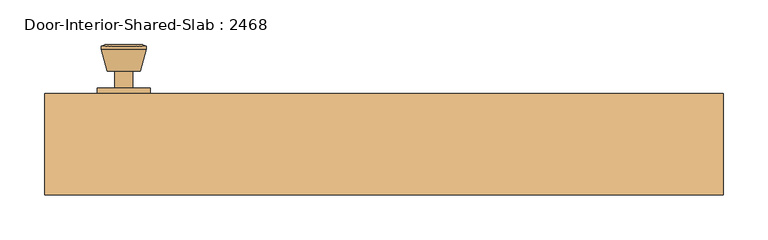
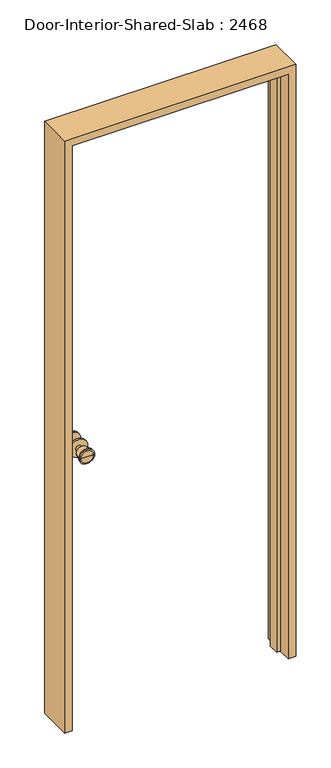
"""IFC4 building model written with IfcOpenShell, lengths in millimetres: door geometry, Door-Interior-Shared-Slab : 2468."""

from ifc_helpers import new_model, si_unit, point, frame, frame_2d, origin, place, context, project, spatial, polyline, circle_curve, trimmed, segment, composite_curve, outline, extrude, faceted_brep, source, transform, mapped, element, save
from ifc_brep_helpers import plane_surface, cylinder_surface, revolved_surface, advanced_brep


def door_interior_shared_slab_2468_7513d355(model_context):
    return source(origin(), model_context, "Body", "SolidModel", [
        advanced_brep(
        [(-292.1, 13.05, 914.4), (-282.1, 13.05, 914.4), (-302.1, 13.05, 914.4), (-271.6241324, -35.95, 914.4), (-292.1, -35.95, 914.4), (-312.5758676, -35.95, 914.4), (-267.1, -34.1221319, 914.4), (-317.1, -34.1221319, 914.4), (-267.1, -30.6584537, 914.4), (-317.1, -30.6584537, 914.4), (-273.463764, -5.95, 914.4), (-310.736236, -5.95, 914.4), (-282.1, -5.95, 914.4), (-302.1, -5.95, 914.4)],
        [
            (0, 1),
            (1, 2, circle_curve(frame((-292.1, 13.05, 914.4), z_axis=(0.0, 1.0, 0.0), x_axis=(-1.0, 0.0, 0.0)), 10.0)),
            (2, 0),
            (2, 1, circle_curve(frame((-292.1, 13.05, 914.4), z_axis=(0.0, 1.0, 0.0), x_axis=(-1.0, 0.0, 0.0)), 10.0)),
            (3, 4),
            (4, 5),
            (5, 3, circle_curve(frame((-292.1, -35.95, 914.4), z_axis=(0.0, -1.0, 0.0), x_axis=(-1.0, 0.0, 0.0)), 20.4758676)),
            (3, 5, circle_curve(frame((-292.1, -35.95, 914.4), z_axis=(0.0, -1.0, 0.0), x_axis=(-1.0, 0.0, 0.0)), 20.4758676)),
            (6, 3),
            (5, 7),
            (7, 6, circle_curve(frame((-292.1, -34.1221319, 914.4), z_axis=(0.0, -1.0, 0.0), x_axis=(-1.0, 0.0, 0.0)), 25.0)),
            (6, 7, circle_curve(frame((-292.1, -34.1221319, 914.4), z_axis=(0.0, -1.0, 0.0), x_axis=(-1.0, 0.0, 0.0)), 25.0)),
            (8, 6),
            (7, 9),
            (9, 8, circle_curve(frame((-292.1, -30.6584537, 914.4), z_axis=(0.0, -1.0, 0.0), x_axis=(-1.0, 0.0, 0.0)), 25.0)),
            (8, 9, circle_curve(frame((-292.1, -30.6584537, 914.4), z_axis=(0.0, -1.0, 0.0), x_axis=(-1.0, 0.0, 0.0)), 25.0)),
            (10, 8),
            (9, 11),
            (11, 10, circle_curve(frame((-292.1, -5.95, 914.4), z_axis=(0.0, -1.0, 0.0), x_axis=(-1.0, 0.0, 0.0)), 18.636236)),
            (10, 11, circle_curve(frame((-292.1, -5.95, 914.4), z_axis=(0.0, -1.0, 0.0), x_axis=(-1.0, 0.0, 0.0)), 18.636236)),
            (12, 10),
            (11, 13),
            (13, 12, circle_curve(frame((-292.1, -5.95, 914.4), z_axis=(0.0, -1.0, 0.0), x_axis=(-1.0, 0.0, 0.0)), 10.0)),
            (12, 13, circle_curve(frame((-292.1, -5.95, 914.4), z_axis=(0.0, -1.0, 0.0), x_axis=(-1.0, 0.0, 0.0)), 10.0)),
            (1, 12),
            (13, 2),
        ],
        [
            plane_surface(frame((-292.1, 13.05, 914.4), z_axis=(0.0, 1.0, 0.0), x_axis=(-1.0, 0.0, 0.0))),
            plane_surface(frame((-292.1, -35.95, 914.4), z_axis=(0.0, -1.0, 0.0), x_axis=(-1.0, 0.0, 0.0))),
            revolved_surface(polyline([(-312.5758676, -35.95, 914.4), (-317.1, -34.1221319, 914.4)]), (-292.1, 13.05, 914.4), (0.0, 1.0, 0.0)),
            cylinder_surface(frame((-292.1, 13.05, 914.4), z_axis=(0.0, 1.0, 0.0), x_axis=(-1.0, 0.0, 0.0)), 25.0),
            revolved_surface(polyline([(-317.1, -30.6584537, 914.4), (-310.736236, -5.95, 914.4)]), (-292.1, 13.05, 914.4), (0.0, 1.0, 0.0)),
            plane_surface(frame((-292.1, -5.95, 914.4), z_axis=(0.0, 1.0, 0.0), x_axis=(-1.0, 0.0, 0.0))),
            cylinder_surface(frame((-292.1, 13.05, 914.4), z_axis=(0.0, 1.0, 0.0), x_axis=(-1.0, 0.0, 0.0)), 10.0),
        ],
        [
            (0, [[1, 2, 3]]),
            (0, [[-3, 4, -1]]),
            (1, [[5, 6, 7]]),
            (1, [[-6, -5, 8]]),
            (2, [[9, -7, 10, 11]]),
            (2, [[-10, -8, -9, 12]]),
            (3, [[13, -11, 14, 15]]),
            (3, [[-14, -12, -13, 16]]),
            (4, [[17, -15, 18, 19]]),
            (4, [[-18, -16, -17, 20]]),
            (5, [[21, -19, 22, 23]]),
            (5, [[-22, -20, -21, 24]]),
            (6, [[25, -23, 26, -2]]),
            (6, [[-26, -24, -25, -4]]),
        ],
    ),
        extrude(outline(composite_curve([segment(trimmed(circle_curve(frame_2d((914.4, -292.1)), 30.0), [point((914.4, -322.1))], [point((914.4, -262.1))], False, "CARTESIAN"), True, "CONTINUOUS"), segment(trimmed(circle_curve(frame_2d((914.4, -292.1)), 30.0), [point((914.4, -262.1))], [point((914.4, -322.1))], False, "CARTESIAN"), True, "CONTINUOUS")], self_intersect=False)), frame((0.0, 13.05, 0.0), z_axis=(0.0, 1.0, 0.0), x_axis=(0.0, 0.0, 1.0)), (0.0, 0.0, 1.0), 6.0),
        advanced_brep(
        [(-292.1, 59.975, 914.4), (-302.1, 59.975, 914.4), (-282.1, 59.975, 914.4), (-271.6241324, 108.975, 914.4), (-312.5758676, 108.975, 914.4), (-292.1, 108.975, 914.4), (-267.1, 107.1471319, 914.4), (-317.1, 107.1471319, 914.4), (-267.1, 103.6834537, 914.4), (-317.1, 103.6834537, 914.4), (-273.463764, 78.975, 914.4), (-310.736236, 78.975, 914.4), (-282.1, 78.975, 914.4), (-302.1, 78.975, 914.4)],
        [
            (0, 1),
            (1, 2, circle_curve(frame((-292.1, 59.975, 914.4), z_axis=(0.0, -1.0, 0.0), x_axis=(-1.0, 0.0, 0.0)), 10.0)),
            (2, 0),
            (2, 1, circle_curve(frame((-292.1, 59.975, 914.4), z_axis=(0.0, -1.0, 0.0), x_axis=(-1.0, 0.0, 0.0)), 10.0)),
            (3, 4, circle_curve(frame((-292.1, 108.975, 914.4), z_axis=(0.0, 1.0, 0.0), x_axis=(-1.0, 0.0, 0.0)), 20.4758676)),
            (4, 5),
            (5, 3),
            (4, 3, circle_curve(frame((-292.1, 108.975, 914.4), z_axis=(0.0, 1.0, 0.0), x_axis=(-1.0, 0.0, 0.0)), 20.4758676)),
            (6, 7, circle_curve(frame((-292.1, 107.1471319, 914.4), z_axis=(0.0, 1.0, 0.0), x_axis=(-1.0, 0.0, 0.0)), 25.0)),
            (7, 4),
            (3, 6),
            (7, 6, circle_curve(frame((-292.1, 107.1471319, 914.4), z_axis=(0.0, 1.0, 0.0), x_axis=(-1.0, 0.0, 0.0)), 25.0)),
            (8, 9, circle_curve(frame((-292.1, 103.6834537, 914.4), z_axis=(0.0, 1.0, 0.0), x_axis=(-1.0, 0.0, 0.0)), 25.0)),
            (9, 7),
            (6, 8),
            (9, 8, circle_curve(frame((-292.1, 103.6834537, 914.4), z_axis=(0.0, 1.0, 0.0), x_axis=(-1.0, 0.0, 0.0)), 25.0)),
            (10, 11, circle_curve(frame((-292.1, 78.975, 914.4), z_axis=(0.0, 1.0, 0.0), x_axis=(-1.0, 0.0, 0.0)), 18.636236)),
            (11, 9),
            (8, 10),
            (11, 10, circle_curve(frame((-292.1, 78.975, 914.4), z_axis=(0.0, 1.0, 0.0), x_axis=(-1.0, 0.0, 0.0)), 18.636236)),
            (12, 13, circle_curve(frame((-292.1, 78.975, 914.4), z_axis=(0.0, 1.0, 0.0), x_axis=(-1.0, 0.0, 0.0)), 10.0)),
            (13, 11),
            (10, 12),
            (13, 12, circle_curve(frame((-292.1, 78.975, 914.4), z_axis=(0.0, 1.0, 0.0), x_axis=(-1.0, 0.0, 0.0)), 10.0)),
            (1, 13),
            (12, 2),
        ],
        [
            plane_surface(frame((-292.1, 59.975, 914.4), z_axis=(0.0, -1.0, 0.0), x_axis=(-1.0, 0.0, 0.0))),
            plane_surface(frame((-292.1, 108.975, 914.4), z_axis=(0.0, 1.0, 0.0), x_axis=(-1.0, 0.0, 0.0))),
            revolved_surface(polyline([(-312.5758676, 108.975, 914.4), (-317.1, 107.1471319, 914.4)]), (-292.1, 59.975, 914.4), (0.0, -1.0, 0.0)),
            cylinder_surface(frame((-292.1, 59.975, 914.4), z_axis=(0.0, -1.0, 0.0), x_axis=(-1.0, 0.0, 0.0)), 25.0),
            revolved_surface(polyline([(-317.1, 103.6834537, 914.4), (-310.736236, 78.975, 914.4)]), (-292.1, 59.975, 914.4), (0.0, -1.0, 0.0)),
            plane_surface(frame((-292.1, 78.975, 914.4), z_axis=(0.0, -1.0, 0.0), x_axis=(-1.0, 0.0, 0.0))),
            cylinder_surface(frame((-292.1, 59.975, 914.4), z_axis=(0.0, -1.0, 0.0), x_axis=(-1.0, 0.0, 0.0)), 10.0),
        ],
        [
            (0, [[1, 2, 3]]),
            (0, [[-3, 4, -1]]),
            (1, [[5, 6, 7]]),
            (1, [[8, -7, -6]]),
            (2, [[9, 10, -5, 11]]),
            (2, [[12, -11, -8, -10]]),
            (3, [[13, 14, -9, 15]]),
            (3, [[16, -15, -12, -14]]),
            (4, [[17, 18, -13, 19]]),
            (4, [[20, -19, -16, -18]]),
            (5, [[21, 22, -17, 23]]),
            (5, [[24, -23, -20, -22]]),
            (6, [[-2, 25, -21, 26]]),
            (6, [[-4, -26, -24, -25]]),
        ],
    ),
        extrude(outline(composite_curve([segment(trimmed(circle_curve(frame_2d((914.4, -292.1)), 30.0), [point((914.4, -322.1))], [point((914.4, -262.1))], False, "CARTESIAN"), True, "CONTINUOUS"), segment(trimmed(circle_curve(frame_2d((914.4, -292.1)), 30.0), [point((914.4, -262.1))], [point((914.4, -322.1))], False, "CARTESIAN"), True, "CONTINUOUS")], self_intersect=False)), frame((0.0, 53.975, 0.0), z_axis=(0.0, 1.0, 0.0), x_axis=(0.0, 0.0, 1.0)), (0.0, 0.0, 1.0), 6.0),
        faceted_brep([(381.0, 53.975, 0.0), (381.0, -60.325, 0.0), (355.6, -60.325, 0.0), (355.6, -15.875, 0.0), (342.9, -15.875, 0.0), (342.9, 19.05, 0.0), (355.6, 19.05, 0.0), (355.6, 53.975, 0.0), (381.0, 53.975, 2057.4), (381.0, -60.325, 2057.4), (-381.0, -60.325, 2057.4), (-381.0, -60.325, 0.0), (-355.6, -60.325, 0.0), (-355.6, -60.325, 2032.0), (355.6, -60.325, 2032.0), (355.6, -15.875, 2032.0), (-355.6, -15.875, 2032.0), (-355.6, -15.875, 0.0), (-342.9, -15.875, 0.0), (-342.9, -15.875, 2019.3), (342.9, -15.875, 2019.3), (342.9, 19.05, 2019.3), (-342.9, 19.05, 2019.3), (-342.9, 19.05, 0.0), (-355.6, 19.05, 0.0), (-355.6, 19.05, 2032.0), (355.6, 19.05, 2032.0), (355.6, 53.975, 2032.0), (-355.6, 53.975, 2032.0), (-355.6, 53.975, 0.0), (-381.0, 53.975, 0.0), (-381.0, 53.975, 2057.4)], [[[0, 1, 2, 3, 4, 5, 6, 7]], [[1, 0, 8, 9]], [[2, 1, 9, 10, 11, 12, 13, 14]], [[3, 2, 14, 15]], [[4, 3, 15, 16, 17, 18, 19, 20]], [[5, 4, 20, 21]], [[6, 5, 21, 22, 23, 24, 25, 26]], [[7, 6, 26, 27]], [[0, 7, 27, 28, 29, 30, 31, 8]], [[9, 8, 31, 10]], [[15, 14, 13, 16]], [[21, 20, 19, 22]], [[27, 26, 25, 28]], [[30, 29, 24, 23, 18, 17, 12, 11]], [[10, 31, 30, 11]], [[16, 13, 12, 17]], [[22, 19, 18, 23]], [[28, 25, 24, 29]]]),
    ])


if __name__ == "__main__":
    model = new_model("IFC4")
    model_context = context("Model", 3, world=origin())
    ifc_project = project(units=[si_unit("LENGTHUNIT", "METRE", prefix="MILLI")], contexts=[model_context])
    site = spatial("IfcSite", under=ifc_project)
    building = spatial("IfcBuilding", under=site)
    placement = place(None, origin())
    door_interior_shared_slab_2468_shape = door_interior_shared_slab_2468_7513d355(model_context)
    element("IfcDoor", 1, ObjectType="Door-Interior-Shared-Slab : 2468", at=placement, inside=building, context=model_context, shape_type="MappedRepresentation", body=[
        mapped(door_interior_shared_slab_2468_shape, transform((0.0, 0.0, 0.0), x_axis=(1.0, 0.0, 0.0), y_axis=(0.0, 1.0, 0.0), z_axis=(0.0, 0.0, 1.0))),
    ])
    save(model, "model.ifc")
